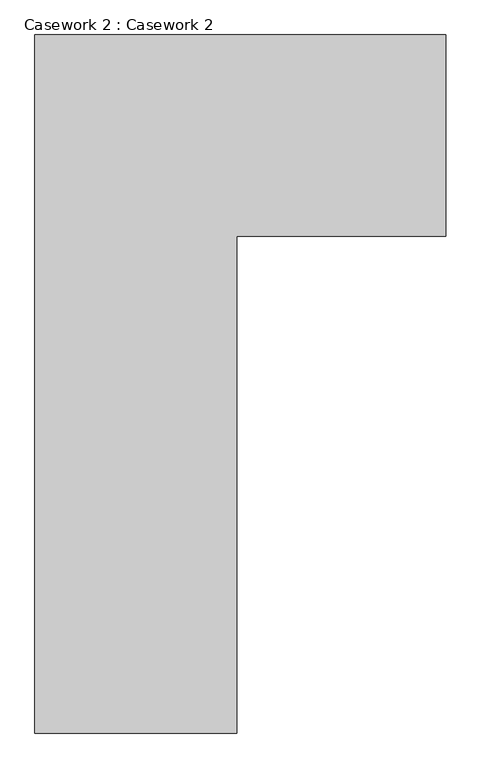
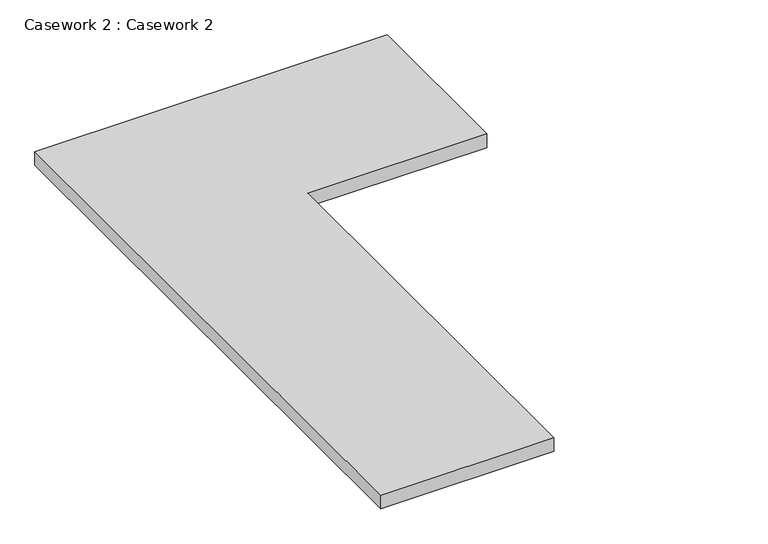
"""IFC4 building model written with IfcOpenShell, lengths in millimetres: furniture geometry, Casework 2 : Casework 2."""

import ifcopenshell
import ifcopenshell.guid

model = None  # the IFC model being written
_history = None  # IfcOwnerHistory: only IFC2X3 demands one
_inside = {}  # id of a spatial element -> (the spatial element, [elements in it])
_under = {}  # id of a project, library or spatial element -> (it, [spatial elements below it])
_declared = {}  # id of a project -> (the project, [libraries it declares])
_typed = {}  # id of a type object -> (the type object, [elements of that type])
_made_of = {}  # id of a material, layer set ... -> (it, [elements and type objects made of it])


def new_model(schema):
    """Start an empty IFC model of exactly this schema.

    Asked for "IFC4X3", IfcOpenShell would pick the latest addendum, in which some entities
    have other attributes; the version numbers below select the first issue.
    IFC2X3 requires an IfcOwnerHistory on every rooted entity: one is made here for all.
    """
    global model, _history
    if schema == "IFC4X3":
        model = ifcopenshell.file(schema_version=(4, 3, 0, 0))
    else:
        model = ifcopenshell.file(schema=schema)
    _inside.clear()
    _under.clear()
    _declared.clear()
    _typed.clear()
    _made_of.clear()
    _history = None
    if model.schema == "IFC2X3":
        org = make("IfcOrganization", Name="unknown")
        user = make(
            "IfcPersonAndOrganization",
            ThePerson=make("IfcPerson", FamilyName="unknown"),
            TheOrganization=org,
        )
        app = make(
            "IfcApplication",
            ApplicationDeveloper=org,
            Version="unknown",
            ApplicationFullName="unknown",
            ApplicationIdentifier="unknown",
        )
        _history = make(
            "IfcOwnerHistory",
            OwningUser=user,
            OwningApplication=app,
            ChangeAction="ADDED",
            CreationDate=0,
        )
    return model


def make(cls, **values):
    """One entity of the class cls with the attributes given. An attribute that is None is left unset."""
    return model.create_entity(
        cls, **{name: value for name, value in values.items() if value is not None}
    )


def rooted(cls, **values):
    """An entity with a GlobalId (a new one), such as an element, a storey or a relation."""
    return make(cls, GlobalId=ifcopenshell.guid.new(), OwnerHistory=_history, **values)


def si_unit(unit_type, name, prefix=None):
    """IfcSIUnit, for example si_unit("LENGTHUNIT", "METRE", prefix="MILLI")."""
    return make("IfcSIUnit", UnitType=unit_type, Prefix=prefix, Name=name)


def assignment(units):
    """IfcUnitAssignment: the units of a project."""
    return None if units is None else make("IfcUnitAssignment", Units=units)


def point(xyz):
    """IfcCartesianPoint."""
    return None if xyz is None else make("IfcCartesianPoint", Coordinates=xyz)


def direction(xyz):
    """IfcDirection."""
    return None if xyz is None else make("IfcDirection", DirectionRatios=xyz)


def frame(location, z_axis=None, x_axis=None):
    """IfcAxis2Placement3D, a coordinate frame: its origin and axes. An axis left out is left unset."""
    return make(
        "IfcAxis2Placement3D",
        Location=point(location),
        Axis=direction(z_axis),
        RefDirection=direction(x_axis),
    )


def origin():
    """The frame at (0, 0, 0) with its axes left unset."""
    return frame((0.0, 0.0, 0.0))


def place(relative_to, where):
    """IfcLocalPlacement: puts the frame where relative to a parent placement (None: the world)."""
    return make(
        "IfcLocalPlacement", PlacementRelTo=relative_to, RelativePlacement=where
    )


def context(
    kind, dimensions, precision=None, world=None, true_north=None, identifier=None
):
    """IfcGeometricRepresentationContext, for example the 3D "Model" context."""
    return make(
        "IfcGeometricRepresentationContext",
        ContextIdentifier=identifier,
        ContextType=kind,
        CoordinateSpaceDimension=dimensions,
        Precision=precision,
        WorldCoordinateSystem=world,
        TrueNorth=true_north,
    )


def project(units=None, contexts=None):
    """IfcProject with its units and contexts."""
    return rooted(
        "IfcProject",
        Name="project",
        RepresentationContexts=contexts,
        UnitsInContext=assignment(units),
    )


def spatial(cls, under=None, at=None, **own):
    """A site, building, storey or space (cls), placed at a placement, below another one or the project."""
    s = rooted(cls, ObjectPlacement=at, **own)
    if under is not None:
        _under.setdefault(under.id(), (under, []))[1].append(s)
    return s


def polyline(points):
    """IfcPolyline through the points."""
    return make("IfcPolyline", Points=[point(p) for p in points])


def outline(outer, holes=None, kind="AREA"):
    """IfcArbitraryClosedProfileDef: a profile drawn as a closed curve; with holes, ...WithVoids."""
    if holes is None:
        return make("IfcArbitraryClosedProfileDef", ProfileType=kind, OuterCurve=outer)
    return make(
        "IfcArbitraryProfileDefWithVoids",
        ProfileType=kind,
        OuterCurve=outer,
        InnerCurves=holes,
    )


def extrude(swept, where, along, depth):
    """IfcExtrudedAreaSolid: the profile swept, set in the frame where, extruded along a direction by depth."""
    return make(
        "IfcExtrudedAreaSolid",
        SweptArea=swept,
        Position=where,
        ExtrudedDirection=direction(along),
        Depth=depth,
    )


def shape(context_of_items, identifier, shape_type, items):
    """IfcShapeRepresentation: the items that make up one representation, for example the "Body"."""
    return make(
        "IfcShapeRepresentation",
        ContextOfItems=context_of_items,
        RepresentationIdentifier=identifier,
        RepresentationType=shape_type,
        Items=items,
    )


def source(mapping_origin, context_of_items, identifier, shape_type, items):
    """IfcRepresentationMap: a shape defined once, which mapped items show again and again."""
    return make(
        "IfcRepresentationMap",
        MappingOrigin=mapping_origin,
        MappedRepresentation=shape(context_of_items, identifier, shape_type, items),
    )


def transform(
    local_origin,
    x_axis=None,
    y_axis=None,
    z_axis=None,
    scale=None,
    scale2=None,
    scale3=None,
    uniform=True,
):
    """IfcCartesianTransformationOperator3D, or its non-uniform kind. x_axis, y_axis, z_axis: its Axis1, 2, 3."""
    if uniform:
        return make(
            "IfcCartesianTransformationOperator3D",
            Axis1=direction(x_axis),
            Axis2=direction(y_axis),
            LocalOrigin=point(local_origin),
            Scale=scale,
            Axis3=direction(z_axis),
        )
    return make(
        "IfcCartesianTransformationOperator3DnonUniform",
        Axis1=direction(x_axis),
        Axis2=direction(y_axis),
        LocalOrigin=point(local_origin),
        Scale=scale,
        Axis3=direction(z_axis),
        Scale2=scale2,
        Scale3=scale3,
    )


def mapped(mapping_source, mapping_target):
    """IfcMappedItem: shows the shape of a source again, moved by a transform."""
    return make(
        "IfcMappedItem", MappingSource=mapping_source, MappingTarget=mapping_target
    )


def made_of(thing, what):
    """Note that an element or type object is made of a material, layer set ...; save() writes the relation."""
    if what is not None:
        _made_of.setdefault(what.id(), (what, []))[1].append(thing)
    return thing


def element(
    cls,
    number,
    at=None,
    inside=None,
    cuts=None,
    type_object=None,
    material=None,
    context=None,
    identifier="Body",
    shape_type=None,
    held_by="IfcProductDefinitionShape",
    body=None,
    shapes=None,
    **own,
):
    """One element of the class cls, such as IfcWall. Its Tag is "e" and its number.

    at: its placement. inside: the storey or other place that contains it. cuts: it is an
    opening in that element (IfcRelVoidsElement). A single representation is given by context,
    identifier, shape_type and body (its items); several are given by shapes. held_by: the class
    of the entity that holds the representations. save() writes the other relations.
    """
    e = rooted(cls, Tag="e%d" % number, ObjectPlacement=at, **own)
    if body is not None:
        shapes = [shape(context, identifier, shape_type, body)]
    if shapes is not None:
        e.Representation = make(held_by, Representations=shapes)
    if inside is not None:
        _inside.setdefault(inside.id(), (inside, []))[1].append(e)
    if cuts is not None:
        rooted(
            "IfcRelVoidsElement", RelatingBuildingElement=cuts, RelatedOpeningElement=e
        )
    if type_object is not None:
        _typed.setdefault(type_object.id(), (type_object, []))[1].append(e)
    return made_of(e, material)


def aggregate(whole, parts):
    """IfcRelAggregates: a whole, such as a stair, and the parts it consists of."""
    return rooted("IfcRelAggregates", RelatingObject=whole, RelatedObjects=parts)


def save(model, path):
    """Write the relations noted so far, then the file.

    IfcRelAggregates (storeys below a building ...), IfcRelContainedInSpatialStructure (elements
    in a storey), IfcRelDefinesByType, IfcRelAssociatesMaterial and IfcRelDeclares: one each for
    every whole, place, type object, material and project.
    """
    for whole, parts in _under.values():
        aggregate(whole, parts)
    for where, things in _inside.values():
        rooted(
            "IfcRelContainedInSpatialStructure",
            RelatedElements=things,
            RelatingStructure=where,
        )
    for kind, things in _typed.values():
        rooted("IfcRelDefinesByType", RelatedObjects=things, RelatingType=kind)
    for what, things in _made_of.values():
        rooted("IfcRelAssociatesMaterial", RelatedObjects=things, RelatingMaterial=what)
    for by, libraries in _declared.values():
        rooted("IfcRelDeclares", RelatingContext=by, RelatedDefinitions=libraries)
    model.write(path)


def casework_2_casework_2_20afa9f6(model_context):
    return source(origin(), model_context, "Body", "SweptSolid", [
        extrude(outline(polyline([(3682.0512974, 496.5957635), (3682.0512974, 2615.9082635), (4928.6735093, 2615.9082635), (4928.6735093, 2004.7207635), (4294.8262974, 2004.7207635), (4294.8262974, 496.5957635), (3682.0512974, 496.5957635)])), frame((0.0, 0.0, 863.6), z_axis=(0.0, 0.0, 1.0), x_axis=(1.0, 0.0, 0.0)), (0.0, 0.0, 1.0), 50.8),
    ])


if __name__ == "__main__":
    model = new_model("IFC4")
    model_context = context("Model", 3, world=origin())
    ifc_project = project(units=[si_unit("LENGTHUNIT", "METRE", prefix="MILLI")], contexts=[model_context])
    site = spatial("IfcSite", under=ifc_project)
    building = spatial("IfcBuilding", under=site)
    placement = place(None, origin())
    casework_2_casework_2_shape = casework_2_casework_2_20afa9f6(model_context)
    element("IfcFurniture", 1, ObjectType="Casework 2 : Casework 2", at=placement, inside=building, context=model_context, shape_type="MappedRepresentation", body=[
        mapped(casework_2_casework_2_shape, transform((0.0, 0.0, 0.0), x_axis=(1.0, 0.0, 0.0), y_axis=(0.0, 1.0, 0.0), z_axis=(0.0, 0.0, 1.0))),
    ])
    save(model, "model.ifc")
